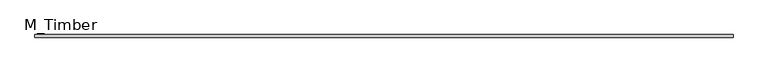
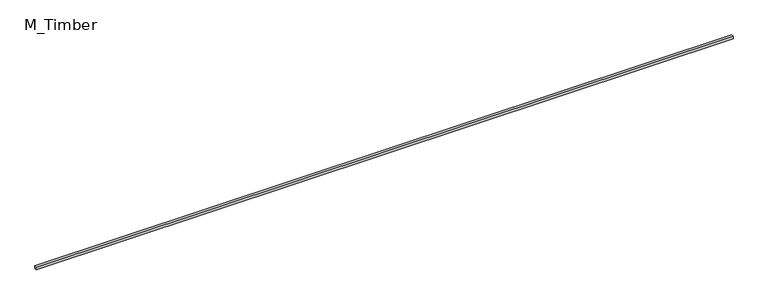
"""IFC4 building model written with IfcOpenShell, lengths in millimetres: beam geometry, M_Timber."""

from ifc_helpers import new_model, si_unit, frame, origin, place, context, project, spatial, polyline, outline, extrude, source, transform, mapped, element, save


def m_timber_22fce522(model_context):
    return source(origin(), model_context, "Body", "SweptSolid", [
        extrude(outline(polyline([(5283.6781661, 20.0), (5283.6781661, -20.0), (-5283.6781661, -20.0), (-5283.6781661, 20.0), (5283.6781661, 20.0)])), frame((0.0, 0.0, -20.0), z_axis=(0.0, 0.0, 1.0), x_axis=(1.0, 0.0, 0.0)), (0.0, 0.0, 1.0), 40.0),
    ])


if __name__ == "__main__":
    model = new_model("IFC4")
    model_context = context("Model", 3, world=origin())
    ifc_project = project(units=[si_unit("LENGTHUNIT", "METRE", prefix="MILLI")], contexts=[model_context])
    site = spatial("IfcSite", under=ifc_project)
    building = spatial("IfcBuilding", under=site)
    placement = place(None, origin())
    m_timber_shape = m_timber_22fce522(model_context)
    element("IfcBeam", 1, ObjectType="M_Timber", at=placement, inside=building, context=model_context, shape_type="MappedRepresentation", body=[
        mapped(m_timber_shape, transform((0.0, 0.0, 0.0), x_axis=(1.0, 0.0, 0.0), y_axis=(0.0, 1.0, 0.0), z_axis=(0.0, 0.0, 1.0))),
    ])
    save(model, "model.ifc")
